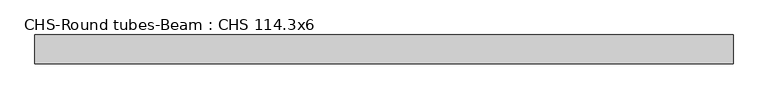
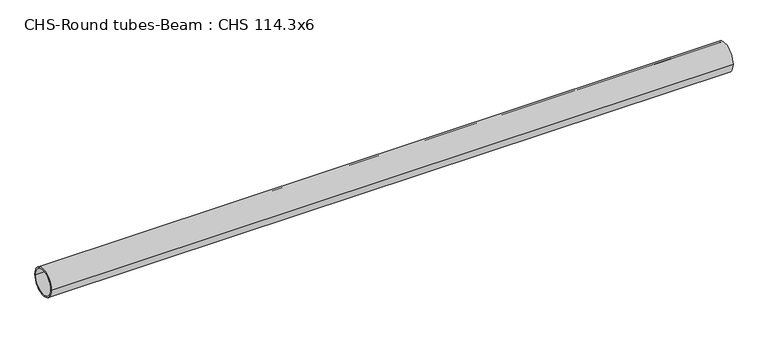
"""IFC4 building model written with IfcOpenShell, lengths in millimetres: beam geometry, CHS-Round tubes-Beam : CHS 114.3x6."""

from ifc_helpers import new_model, si_unit, point, frame, origin, origin_2d, place, context, project, spatial, circle_curve, trimmed, segment, composite_curve, outline, extrude, source, transform, mapped, element, save


def chs_round_tubes_beam_chs_114_3x6_ed7327f5(model_context):
    return source(origin(), model_context, "Body", "SweptSolid", [
        extrude(outline(composite_curve([segment(trimmed(circle_curve(origin_2d(), 57.15), [point((57.15, 0.0))], [point((-57.15, 0.0))], False, "CARTESIAN"), True, "CONTINUOUS"), segment(trimmed(circle_curve(origin_2d(), 57.15), [point((-57.15, 0.0))], [point((57.15, 0.0))], False, "CARTESIAN"), True, "CONTINUOUS")], self_intersect=False), holes=[composite_curve([segment(trimmed(circle_curve(origin_2d(), 51.15), [point((51.15, 0.0))], [point((-51.15, 0.0))], True, "CARTESIAN"), True, "CONTINUOUS"), segment(trimmed(circle_curve(origin_2d(), 51.15), [point((-51.15, 0.0))], [point((51.15, 0.0))], True, "CARTESIAN"), True, "CONTINUOUS")], self_intersect=False)]), frame((-1325.3026791, 0.0, 0.0), z_axis=(1.0, 0.0, 0.0), x_axis=(0.0, 1.0, 0.0)), (0.0, 0.0, 1.0), 2760.0708094),
    ])


if __name__ == "__main__":
    model = new_model("IFC4")
    model_context = context("Model", 3, world=origin())
    ifc_project = project(units=[si_unit("LENGTHUNIT", "METRE", prefix="MILLI")], contexts=[model_context])
    site = spatial("IfcSite", under=ifc_project)
    building = spatial("IfcBuilding", under=site)
    placement = place(None, origin())
    chs_round_tubes_beam_chs_114_3x6_shape = chs_round_tubes_beam_chs_114_3x6_ed7327f5(model_context)
    element("IfcBeam", 1, ObjectType="CHS-Round tubes-Beam : CHS 114.3x6", at=placement, inside=building, context=model_context, shape_type="MappedRepresentation", body=[
        mapped(chs_round_tubes_beam_chs_114_3x6_shape, transform((0.0, 0.0, 0.0), x_axis=(1.0, 0.0, 0.0), y_axis=(0.0, 1.0, 0.0), z_axis=(0.0, 0.0, 1.0))),
    ])
    save(model, "model.ifc")
